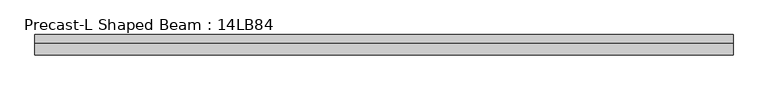
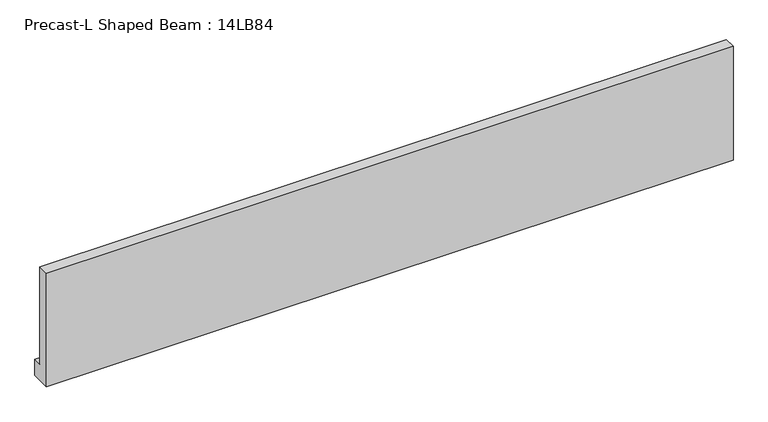
"""IFC4 building model written with IfcOpenShell, lengths in millimetres: beam geometry, Precast-L Shaped Beam : 14LB84."""

from ifc_helpers import new_model, si_unit, frame, origin, place, context, project, spatial, polyline, outline, extrude, source, transform, mapped, element, save


def precast_l_shaped_beam_14lb84_7fef5915(model_context):
    return source(origin(), model_context, "Body", "SweptSolid", [
        extrude(outline(polyline([(-177.8, -1066.8), (-177.8, 1066.8), (25.4, 1066.8), (25.4, -762.0), (177.8, -762.0), (177.8, -1066.8), (-177.8, -1066.8)])), frame((-7112.0, 0.0, 0.0), z_axis=(1.0, 0.0, 0.0), x_axis=(0.0, 1.0, 0.0)), (0.0, 0.0, 1.0), 12192.0),
    ])


if __name__ == "__main__":
    model = new_model("IFC4")
    model_context = context("Model", 3, world=origin())
    ifc_project = project(units=[si_unit("LENGTHUNIT", "METRE", prefix="MILLI")], contexts=[model_context])
    site = spatial("IfcSite", under=ifc_project)
    building = spatial("IfcBuilding", under=site)
    placement = place(None, origin())
    precast_l_shaped_beam_14lb84_shape = precast_l_shaped_beam_14lb84_7fef5915(model_context)
    element("IfcBeam", 1, ObjectType="Precast-L Shaped Beam : 14LB84", at=placement, inside=building, context=model_context, shape_type="MappedRepresentation", body=[
        mapped(precast_l_shaped_beam_14lb84_shape, transform((0.0, 0.0, 0.0), x_axis=(1.0, 0.0, 0.0), y_axis=(0.0, 1.0, 0.0), z_axis=(0.0, 0.0, 1.0))),
    ])
    save(model, "model.ifc")
